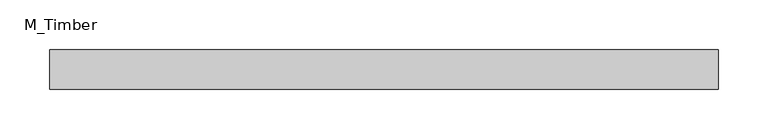
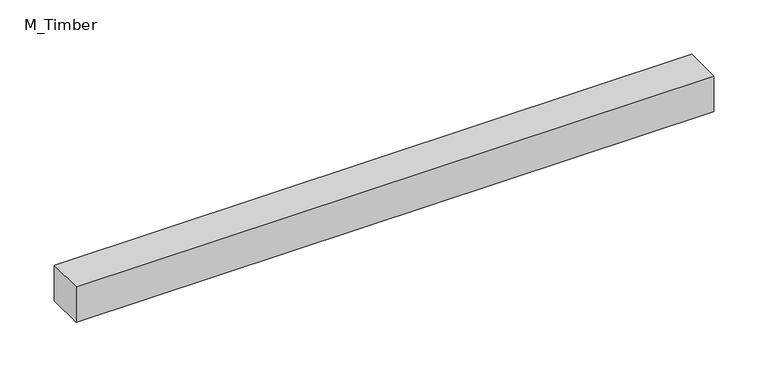
"""IFC4 building model written with IfcOpenShell, lengths in millimetres: beam geometry, M_Timber."""

from ifc_helpers import new_model, si_unit, frame, origin, place, context, project, spatial, polyline, outline, extrude, source, transform, mapped, element, save


def m_timber_918036be(model_context):
    return source(origin(), model_context, "Body", "SweptSolid", [
        extrude(outline(polyline([(337.8364806, 20.0), (337.8364806, -20.0), (-337.8364806, -20.0), (-337.8364806, 20.0), (337.8364806, 20.0)])), frame((0.0, 0.0, -20.0), z_axis=(0.0, 0.0, 1.0), x_axis=(1.0, 0.0, 0.0)), (0.0, 0.0, 1.0), 40.0),
    ])


if __name__ == "__main__":
    model = new_model("IFC4")
    model_context = context("Model", 3, world=origin())
    ifc_project = project(units=[si_unit("LENGTHUNIT", "METRE", prefix="MILLI")], contexts=[model_context])
    site = spatial("IfcSite", under=ifc_project)
    building = spatial("IfcBuilding", under=site)
    placement = place(None, origin())
    m_timber_shape = m_timber_918036be(model_context)
    element("IfcBeam", 1, ObjectType="M_Timber", at=placement, inside=building, context=model_context, shape_type="MappedRepresentation", body=[
        mapped(m_timber_shape, transform((0.0, 0.0, 0.0), x_axis=(1.0, 0.0, 0.0), y_axis=(0.0, 1.0, 0.0), z_axis=(0.0, 0.0, 1.0))),
    ])
    save(model, "model.ifc")
